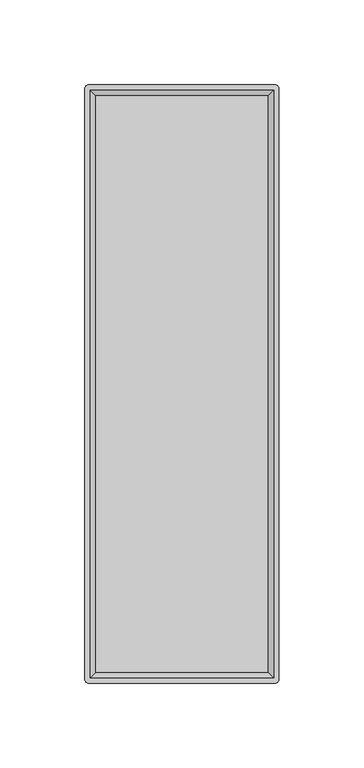
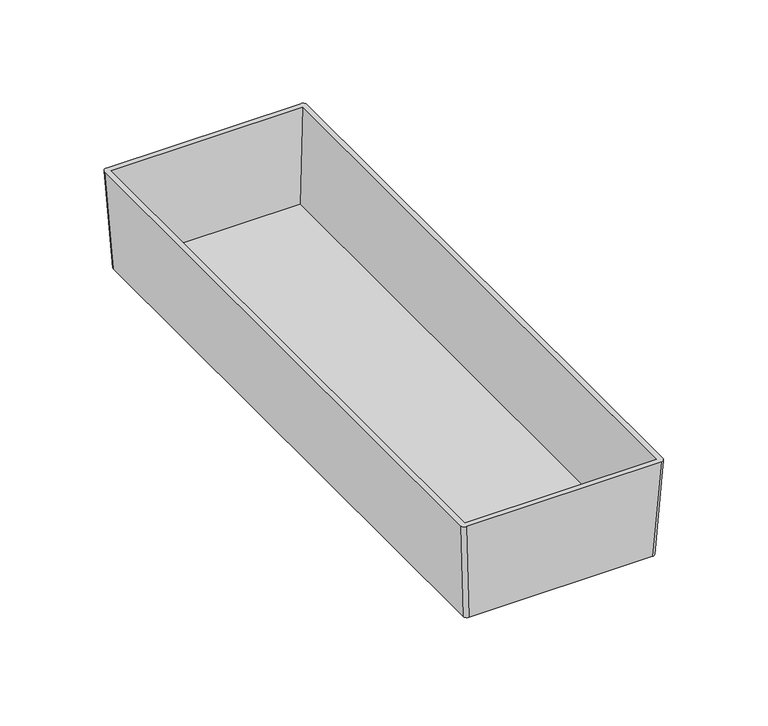
"""IFC4 building model written with IfcOpenShell, lengths in millimetres: furniture geometry."""

from ifc_helpers import new_model, si_unit, point, frame, origin, place, context, project, spatial, circle_curve, trimmed, source, transform, mapped, element, save
from ifc_brep_helpers import plane_surface, extruded_surface, advanced_brep


def furniture_cdac7c7f(model_context):
    return source(origin(), model_context, "Body", "AdvancedBrep", [
        advanced_brep(
        [(51.7525, 173.0375, 1073.15), (53.975, 170.815, 1073.15), (53.975, -170.815, 1073.15), (51.7525, -173.0375, 1073.15), (-51.7525, -173.0375, 1073.15), (-53.975, -170.815, 1073.15), (-53.975, 170.815, 1073.15), (-51.7525, 173.0375, 1073.15), (54.9275, 176.2125, 1130.3), (-54.9275, 176.2125, 1130.3), (-57.15, 173.99, 1130.3), (-57.15, -173.99, 1130.3), (-54.9275, -176.2125, 1130.3), (54.9275, -176.2125, 1130.3), (57.15, -173.99, 1130.3), (57.15, 173.99, 1130.3), (-53.975, 173.0375, 1130.3), (53.975, 173.0375, 1130.3), (53.975, -173.0375, 1130.3), (-53.975, -173.0375, 1130.3), (50.8, 169.8625, 1075.69), (-50.8, 169.8625, 1075.69), (-50.8, -169.8625, 1075.69), (50.8, -169.8625, 1075.69)],
        [
            (0, 1, circle_curve(frame((51.7525, 170.815, 1073.15), z_axis=(0.0, 0.0, -1.0), x_axis=(-1.0, 0.0, 0.0)), 2.2225)),
            (1, 2),
            (2, 3, circle_curve(frame((51.7525, -170.815, 1073.15), z_axis=(0.0, 0.0, -1.0), x_axis=(-1.0, 0.0, 0.0)), 2.2225)),
            (3, 4),
            (4, 5, circle_curve(frame((-51.7525, -170.815, 1073.15), z_axis=(0.0, 0.0, -1.0), x_axis=(-1.0, 0.0, 0.0)), 2.2225)),
            (5, 6),
            (6, 7, circle_curve(frame((-51.7525, 170.815, 1073.15), z_axis=(0.0, 0.0, -1.0), x_axis=(-1.0, 0.0, 0.0)), 2.2225)),
            (7, 0),
            (8, 9),
            (9, 10, circle_curve(frame((-54.9275, 173.99, 1130.3), z_axis=(0.0, 0.0, 1.0), x_axis=(-1.0, 0.0, 0.0)), 2.2225)),
            (10, 11),
            (11, 12, circle_curve(frame((-54.9275, -173.99, 1130.3), z_axis=(0.0, 0.0, 1.0), x_axis=(-1.0, 0.0, 0.0)), 2.2225)),
            (12, 13),
            (13, 14, circle_curve(frame((54.9275, -173.99, 1130.3), z_axis=(0.0, 0.0, 1.0), x_axis=(-1.0, 0.0, 0.0)), 2.2225)),
            (14, 15),
            (15, 8, circle_curve(frame((54.9275, 173.99, 1130.3), z_axis=(0.0, 0.0, 1.0), x_axis=(-1.0, 0.0, 0.0)), 2.2225)),
            (16, 17),
            (17, 18),
            (18, 19),
            (19, 16),
            (7, 9),
            (8, 0),
            (6, 10),
            (5, 11),
            (4, 12),
            (3, 13),
            (2, 14),
            (1, 15),
            (20, 21),
            (21, 22),
            (22, 23),
            (23, 20),
            (20, 17),
            (16, 21),
            (19, 22),
            (18, 23),
        ],
        [
            plane_surface(frame((0.0, 0.0, 1073.15), z_axis=(0.0, 0.0, -1.0), x_axis=(-1.0, 0.0, 0.0))),
            plane_surface(frame((0.0, 0.0, 1130.3), z_axis=(0.0, 0.0, 1.0), x_axis=(-1.0, 0.0, 0.0))),
            plane_surface(frame((0.0, 176.2125, 1130.3), z_axis=(0.0, 0.9984603532054104, -0.05547001962256064), x_axis=(1.0, 0.0, 0.0))),
            extruded_surface(trimmed(circle_curve(frame((-54.9275, 173.99, 1130.3), z_axis=(0.0, 0.0, -1.0), x_axis=(-1.0, 0.0, 0.0)), 2.2225), [point((-57.15, 173.99, 1130.3))], [point((-54.9275, 176.2125, 1130.3))], True, "CARTESIAN"), (3.1750000000000043, -3.1750000000000114, -57.149999999999864), 57.32611752072509),
            plane_surface(frame((-57.15, 0.0, 1130.3), z_axis=(-0.998460353205411, 0.0, -0.05547001962254796), x_axis=(0.0, 1.0, 0.0))),
            extruded_surface(trimmed(circle_curve(frame((-54.9275, -173.99, 1130.3), z_axis=(0.0, 0.0, -1.0), x_axis=(-1.0, 0.0, 0.0)), 2.2225), [point((-54.9275, -176.2125, 1130.3))], [point((-57.15, -173.99, 1130.3))], True, "CARTESIAN"), (3.1750000000000043, 3.1750000000000114, -57.149999999999864), 57.32611752072509),
            plane_surface(frame((0.0, -176.2125, 1130.3), z_axis=(0.0, -0.9984603532055267, -0.05547001962046713), x_axis=(-1.0, 0.0, 0.0))),
            extruded_surface(trimmed(circle_curve(frame((54.9275, -173.99, 1130.3), z_axis=(0.0, 0.0, -1.0), x_axis=(-1.0, 0.0, 0.0)), 2.2225), [point((57.15, -173.99, 1130.3))], [point((54.9275, -176.2125, 1130.3))], True, "CARTESIAN"), (-3.1750000000000043, 3.1750000000000114, -57.149999999999864), 57.32611752072509),
            plane_surface(frame((57.15, 0.0, 1130.3), z_axis=(0.998460353205429, 0.0, -0.055470019622225274), x_axis=(0.0, -1.0, 0.0))),
            extruded_surface(trimmed(circle_curve(frame((54.9275, 173.99, 1130.3), z_axis=(0.0, 0.0, -1.0), x_axis=(-1.0, 0.0, 0.0)), 2.2225), [point((54.9275, 176.2125, 1130.3))], [point((57.15, 173.99, 1130.3))], True, "CARTESIAN"), (-3.1750000000000043, -3.1750000000000114, -57.149999999999864), 57.32611752072509),
            plane_surface(frame((0.0, 0.0, 1075.69), z_axis=(0.0, 0.0, 1.0), x_axis=(-1.0, 0.0, 0.0))),
            plane_surface(frame((0.0, 173.0375, 1130.3), z_axis=(0.0, -0.9983141698791151, 0.05804152150463695), x_axis=(1.0, 0.0, 0.0))),
            plane_surface(frame((-53.975, 0.0, 1130.3), z_axis=(0.9983141698791161, 0.0, 0.058041521504619685), x_axis=(0.0, 1.0, 0.0))),
            plane_surface(frame((0.0, -173.0375, 1130.3), z_axis=(0.0, 0.9983141698789251, 0.0580415215079058), x_axis=(-1.0, 0.0, 0.0))),
            plane_surface(frame((53.975, 0.0, 1130.3), z_axis=(-0.998314169879097, 0.0, 0.058041521504948144), x_axis=(0.0, -1.0, 0.0))),
        ],
        [
            (0, [[1, 2, 3, 4, 5, 6, 7, 8]]),
            (1, [[9, 10, 11, 12, 13, 14, 15, 16], [17, 18, 19, 20]]),
            (2, [[-8, 21, -9, 22]]),
            (3, [[-7, 23, -10, -21]]),
            (4, [[-6, 24, -11, -23]]),
            (5, [[-5, 25, -12, -24]]),
            (6, [[-4, 26, -13, -25]]),
            (7, [[-3, 27, -14, -26]]),
            (8, [[-2, 28, -15, -27]]),
            (9, [[-1, -22, -16, -28]]),
            (10, [[29, 30, 31, 32]]),
            (11, [[-29, 33, -17, 34]]),
            (12, [[-30, -34, -20, 35]]),
            (13, [[-31, -35, -19, 36]]),
            (14, [[-32, -36, -18, -33]]),
        ],
    ),
    ])


if __name__ == "__main__":
    model = new_model("IFC4")
    model_context = context("Model", 3, world=origin())
    ifc_project = project(units=[si_unit("LENGTHUNIT", "METRE", prefix="MILLI")], contexts=[model_context])
    site = spatial("IfcSite", under=ifc_project)
    building = spatial("IfcBuilding", under=site)
    placement = place(None, origin())
    furniture_shape = furniture_cdac7c7f(model_context)
    element("IfcFurniture", 1, at=placement, inside=building, context=model_context, shape_type="MappedRepresentation", body=[
        mapped(furniture_shape, transform((0.0, 0.0, 0.0), x_axis=(1.0, 0.0, 0.0), y_axis=(0.0, 1.0, 0.0), z_axis=(0.0, 0.0, 1.0))),
    ])
    save(model, "model.ifc")
